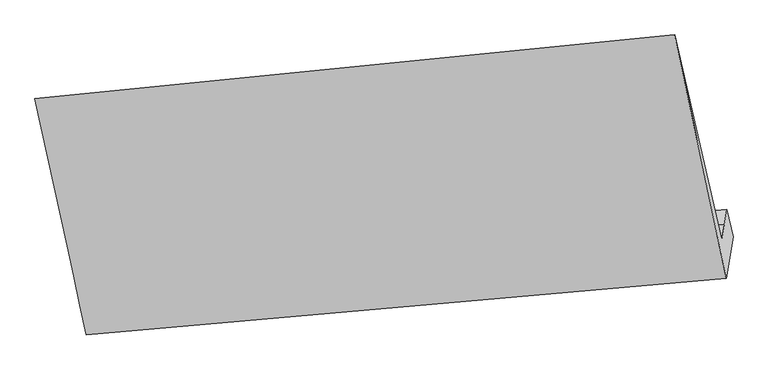
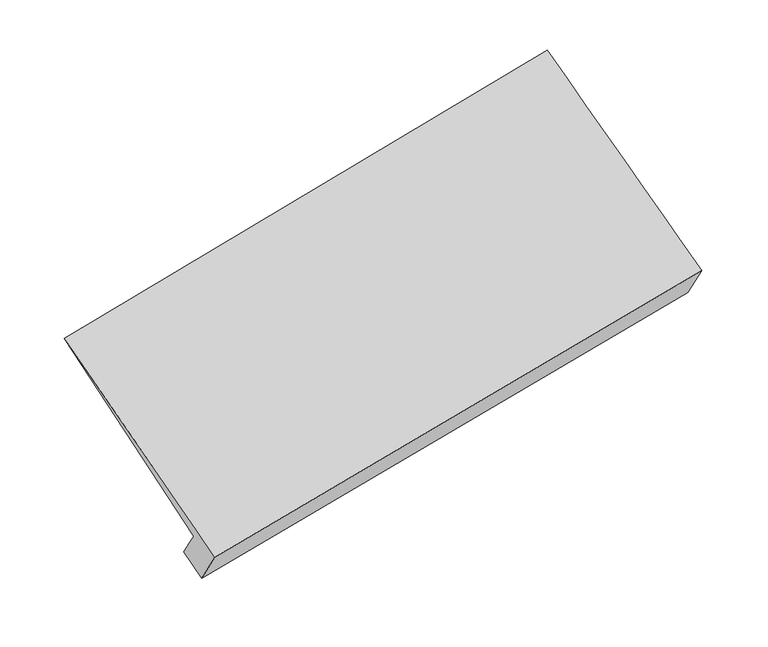
"""IFC4 building model written with IfcOpenShell, lengths in millimetres: proxy geometry."""

from ifc_helpers import new_model, si_unit, frame, origin, place, context, project, spatial, source, transform, mapped, element, save
from ifc_brep_helpers import plane_surface, spline_surface, advanced_brep


def generic_models_97121020(model_context):
    return source(origin(), model_context, "Body", "AdvancedBrep", [
        advanced_brep(
        [(-5122.4333693, -1752.0913765, 1164.5477605), (-5140.3240392, -1861.9477649, 1313.4812612), (-487.6370864, -1442.8805866, 2175.9427856), (-469.4441583, -1331.1682038, 2024.4930928), (-5158.2147092, -1971.8041532, 1462.414762), (-505.8300144, -1554.5929695, 2327.3924783), (-5498.841333, -525.9717422, 2599.5024279), (-849.4417074, -62.1325594, 3458.1401487), (-5124.7780603, -2243.7499013, 1413.2252205), (-473.208398, -1833.7356844, 2286.0404436), (-5077.6366366, -1954.2813368, 1020.7895386), (-424.4416501, -1534.2869316, 1880.0745119)],
        [
            (0, 1),
            (1, 2),
            (2, 3),
            (3, 0),
            (1, 4),
            (4, 5),
            (5, 2),
            (4, 6),
            (6, 7),
            (7, 5),
            (6, 8),
            (8, 9),
            (9, 7),
            (8, 10),
            (10, 11),
            (11, 9),
            (10, 0),
            (3, 11),
        ],
        [
            plane_surface(frame((-5131.3787043, -1807.0195707, 1239.0145109), z_axis=(-0.17793367354250672, 0.8020043829855324, 0.5702004713183465), x_axis=(-0.09622299319532929, -0.5908504570892005, 0.801022392282522))),
            plane_surface(frame((-5149.2693742, -1916.875959, 1387.9480116), z_axis=(-0.1779336735425071, 0.8020043829855297, 0.5702004713183499), x_axis=(-0.09622299319532968, -0.5908504570892041, 0.8010223922825193))),
            spline_surface(1, 1, [[(-5158.2147092, -1971.8041532, 1462.414762), (-505.8300144, -1554.5929695, 2327.3924783)], [(-5498.841333, -525.9717422, 2599.5024279), (-849.4417074, -62.1325594, 3458.1401487)]], [2, 2], [2, 2], [0.0, 1.0], [0.0, 1.0]),
            spline_surface(1, 1, [[(-5498.841333, -525.9717422, 2599.5024279), (-849.4417074, -62.1325594, 3458.1401487)], [(-5124.7780603, -2243.7499013, 1413.2252205), (-473.208398, -1833.7356844, 2286.0404436)]], [2, 2], [2, 2], [0.0, 1.0], [0.0, 1.0]),
            plane_surface(frame((-5101.2073484, -2099.015619, 1217.0073796), z_axis=(0.17769493656923593, -0.802025728743659, -0.570244894717049), x_axis=(0.09622299319532931, 0.5908504570892017, -0.801022392282521))),
            plane_surface(frame((-5100.0350029, -1853.1863567, 1092.6686496), z_axis=(0.0946577389462396, 0.5907099216457667, -0.8013124864413619), x_axis=(-0.17769493656921917, 0.8020257287436573, 0.5702448947170563))),
            plane_surface(frame((-544.4731857, -1263.1832697, 2395.2281351), z_axis=(0.9793700246067332, 0.08746695256313618, 0.18216445073373982), x_axis=(0.09622299319532931, 0.5908504570892017, -0.801022392282521))),
            plane_surface(frame((-5196.3808217, -1689.579702, 1532.0959419), z_axis=(-0.9793700246067298, -0.08746695256315062, -0.18216445073375126), x_axis=(0.1776949365692347, -0.8020257287436726, -0.57024489471703))),
        ],
        [
            (0, [[1, 2, 3, 4]]),
            (1, [[5, 6, 7, -2]]),
            (2, [[8, 9, 10, -6]]),
            (3, [[11, 12, 13, -9]]),
            (4, [[14, 15, 16, -12]]),
            (5, [[17, -4, 18, -15]]),
            (6, [[-16, -18, -3, -7, -10, -13]]),
            (7, [[-17, -14, -11, -8, -5, -1]]),
        ],
    ),
    ])


if __name__ == "__main__":
    model = new_model("IFC4")
    model_context = context("Model", 3, world=origin())
    ifc_project = project(units=[si_unit("LENGTHUNIT", "METRE", prefix="MILLI")], contexts=[model_context])
    site = spatial("IfcSite", under=ifc_project)
    building = spatial("IfcBuilding", under=site)
    placement = place(None, origin())
    generic_models_shape = generic_models_97121020(model_context)
    element("IfcBuildingElementProxy", 1, Name="Generic Models", at=placement, inside=building, context=model_context, shape_type="MappedRepresentation", body=[
        mapped(generic_models_shape, transform((0.0, 0.0, 0.0), x_axis=(1.0, 0.0, 0.0), y_axis=(0.0, 1.0, 0.0), z_axis=(0.0, 0.0, 1.0))),
    ])
    save(model, "model.ifc")
